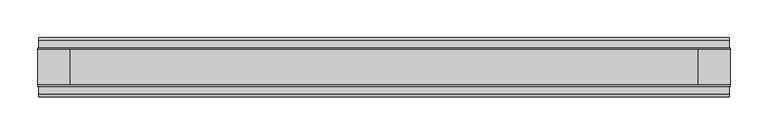
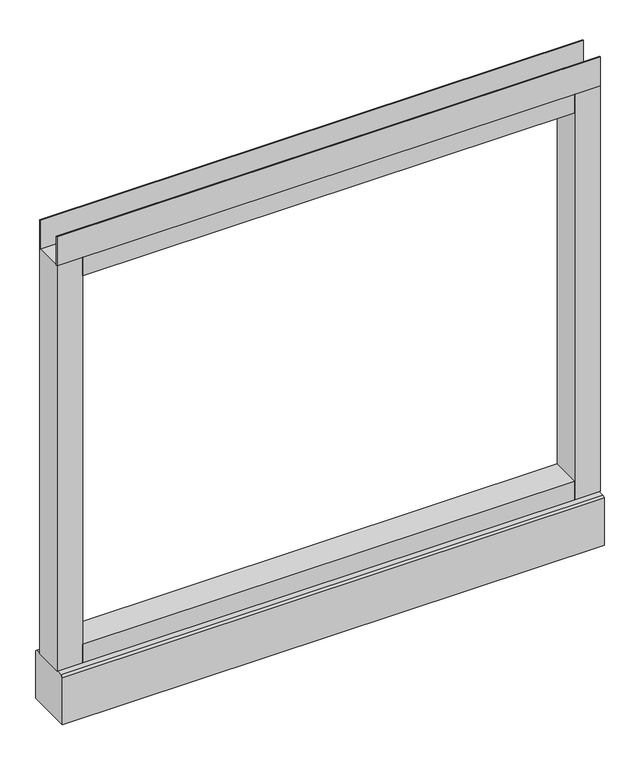
"""IFC4 building model written with IfcOpenShell, lengths in millimetres: furniture geometry."""

from ifc_helpers import new_model, si_unit, point, frame, frame_2d, origin, place, context, project, spatial, polyline, circle_curve, trimmed, segment, composite_curve, outline, extrude, source, transform, mapped, element, save
from ifc_brep_helpers import plane_surface, revolved_surface, advanced_brep


def furniture_cbe864e8(model_context):
    return source(origin(), model_context, "Body", "SolidModel", [
        advanced_brep(
        [(387.35, 0.0, 6.35), (412.75, 0.0, 6.35), (381.0, 0.0, 0.0), (419.1, 0.0, 0.0)],
        [
            (0, 1, circle_curve(frame((400.05, 0.0, 6.35), z_axis=(0.0, 0.0, 1.0), x_axis=(-1.0, 0.0, 0.0)), 12.7)),
            (1, 0, circle_curve(frame((400.05, 0.0, 6.35), z_axis=(0.0, 0.0, 1.0), x_axis=(1.0, 0.0, 0.0)), 12.7)),
            (2, 3, circle_curve(frame((400.05, 0.0, 0.0), z_axis=(0.0, 0.0, -1.0), x_axis=(1.0, 0.0, 0.0)), 19.05)),
            (3, 2, circle_curve(frame((400.05, 0.0, 0.0), z_axis=(0.0, 0.0, -1.0), x_axis=(-1.0, 0.0, 0.0)), 19.05)),
            (3, 1),
            (0, 2),
        ],
        [
            plane_surface(frame((400.05, 0.0, 6.35), z_axis=(0.0, 0.0, 1.0), x_axis=(0.0, -1.0, 0.0))),
            plane_surface(frame((400.05, 0.0, 0.0), z_axis=(0.0, 0.0, -1.0), x_axis=(0.0, -1.0, 0.0))),
            revolved_surface(polyline([(387.35, 0.0, 6.35), (381.0, 0.0, 0.0)]), (400.05, 0.0, 19.05), (0.0, 0.0, -1.0)),
            revolved_surface(polyline([(412.75, 0.0, 6.35), (419.1, 0.0, 0.0)]), (400.05, 0.0, 19.05), (0.0, 0.0, -1.0)),
        ],
        [
            (0, [[1, 2]]),
            (1, [[3, 4]]),
            (2, [[-4, 5, -1, 6]]),
            (3, [[-3, -6, -2, -5]]),
        ],
    ),
        advanced_brep(
        [(-412.75, 0.0, 6.35), (-387.35, 0.0, 6.35), (-419.1, 0.0, 0.0), (-381.0, 0.0, 0.0)],
        [
            (0, 1, circle_curve(frame((-400.05, 0.0, 6.35), z_axis=(0.0, 0.0, 1.0), x_axis=(-1.0, 0.0, 0.0)), 12.7)),
            (1, 0, circle_curve(frame((-400.05, 0.0, 6.35), z_axis=(0.0, 0.0, 1.0), x_axis=(1.0, 0.0, 0.0)), 12.7)),
            (2, 3, circle_curve(frame((-400.05, 0.0, 0.0), z_axis=(0.0, 0.0, -1.0), x_axis=(1.0, 0.0, 0.0)), 19.05)),
            (3, 2, circle_curve(frame((-400.05, 0.0, 0.0), z_axis=(0.0, 0.0, -1.0), x_axis=(-1.0, 0.0, 0.0)), 19.05)),
            (3, 1),
            (0, 2),
        ],
        [
            plane_surface(frame((-400.05, 0.0, 6.35), z_axis=(0.0, 0.0, 1.0), x_axis=(0.0, -1.0, 0.0))),
            plane_surface(frame((-400.05, 0.0, 0.0), z_axis=(0.0, 0.0, -1.0), x_axis=(0.0, -1.0, 0.0))),
            revolved_surface(polyline([(-412.75, 0.0, 6.35), (-419.1, 0.0, 0.0)]), (-400.05, 0.0, 19.05), (0.0, 0.0, -1.0)),
            revolved_surface(polyline([(-387.35, 0.0, 6.35), (-381.0, 0.0, 0.0)]), (-400.05, 0.0, 19.05), (0.0, 0.0, -1.0)),
        ],
        [
            (0, [[1, 2]]),
            (1, [[3, 4]]),
            (2, [[-4, 5, -1, 6]]),
            (3, [[-3, -6, -2, -5]]),
        ],
    ),
        extrude(outline(polyline([(457.2, -23.8125), (457.2, -25.4), (-457.2, -25.4), (-457.2, -23.8125), (457.2, -23.8125)])), frame((0.0, 0.0, 822.833), z_axis=(0.0, 0.0, 1.0), x_axis=(1.0, 0.0, 0.0)), (0.0, 0.0, 1.0), 51.435),
        extrude(outline(polyline([(457.2, 25.4), (457.2, 23.8125), (-457.2, 23.8125), (-457.2, 25.4), (457.2, 25.4)])), frame((0.0, 0.0, 822.833), z_axis=(0.0, 0.0, 1.0), x_axis=(1.0, 0.0, 0.0)), (0.0, 0.0, 1.0), 51.435),
        extrude(outline(polyline([(414.3375, -25.4), (-414.3375, -25.4), (-414.3375, 25.4), (414.3375, 25.4), (414.3375, -25.4)])), frame((0.0, 0.0, 789.94), z_axis=(0.0, 0.0, 1.0), x_axis=(1.0, 0.0, 0.0)), (0.0, 0.0, 1.0), 32.893),
        extrude(outline(polyline([(414.3375, -25.4), (-414.3375, -25.4), (-414.3375, 25.4), (414.3375, 25.4), (414.3375, -25.4)])), frame((0.0, 0.0, 101.6), z_axis=(0.0, 0.0, 1.0), x_axis=(1.0, 0.0, 0.0)), (0.0, 0.0, 1.0), 32.893),
        extrude(outline(composite_curve([segment(trimmed(circle_curve(frame_2d((-400.05, 0.0)), 5.55625), [point((-405.60625, 0.0))], [point((-394.49375, 0.0))], False, "CARTESIAN"), True, "CONTINUOUS"), segment(trimmed(circle_curve(frame_2d((-400.05, 0.0)), 5.55625), [point((-394.49375, 0.0))], [point((-405.60625, 0.0))], False, "CARTESIAN"), True, "CONTINUOUS")], self_intersect=False)), frame((0.0, 0.0, 6.35), z_axis=(0.0, 0.0, 1.0), x_axis=(1.0, 0.0, 0.0)), (0.0, 0.0, 1.0), 7.9375),
        extrude(outline(composite_curve([segment(trimmed(circle_curve(frame_2d((400.05, 0.0)), 5.55625), [point((394.49375, 0.0))], [point((405.60625, 0.0))], False, "CARTESIAN"), True, "CONTINUOUS"), segment(trimmed(circle_curve(frame_2d((400.05, 0.0)), 5.55625), [point((405.60625, 0.0))], [point((394.49375, 0.0))], False, "CARTESIAN"), True, "CONTINUOUS")], self_intersect=False)), frame((0.0, 0.0, 6.35), z_axis=(0.0, 0.0, 1.0), x_axis=(1.0, 0.0, 0.0)), (0.0, 0.0, 1.0), 7.9375),
        extrude(outline(polyline([(-414.3375, -25.4), (-457.2, -25.4), (-457.2, 25.4), (-414.3375, 25.4), (-414.3375, -25.4)])), frame((0.0, 0.0, 101.6), z_axis=(0.0, 0.0, 1.0), x_axis=(1.0, 0.0, 0.0)), (0.0, 0.0, 1.0), 721.233),
        extrude(outline(polyline([(457.2, -25.4), (414.3375, -25.4), (414.3375, 25.4), (457.2, 25.4), (457.2, -25.4)])), frame((0.0, 0.0, 101.6), z_axis=(0.0, 0.0, 1.0), x_axis=(1.0, 0.0, 0.0)), (0.0, 0.0, 1.0), 721.233),
        extrude(outline(polyline([(-35.9171875, 101.6), (35.9171875, 101.6), (39.0921875, 98.425), (39.0921875, 14.2875), (-39.0921875, 14.2875), (-39.0921875, 98.425), (-35.9171875, 101.6)])), frame((-456.057, 0.0, 0.0), z_axis=(1.0, 0.0, 0.0), x_axis=(0.0, 1.0, 0.0)), (0.0, 0.0, 1.0), 912.1140102),
    ])


if __name__ == "__main__":
    model = new_model("IFC4")
    model_context = context("Model", 3, world=origin())
    ifc_project = project(units=[si_unit("LENGTHUNIT", "METRE", prefix="MILLI")], contexts=[model_context])
    site = spatial("IfcSite", under=ifc_project)
    building = spatial("IfcBuilding", under=site)
    placement = place(None, origin())
    furniture_shape = furniture_cbe864e8(model_context)
    element("IfcFurniture", 1, at=placement, inside=building, context=model_context, shape_type="MappedRepresentation", body=[
        mapped(furniture_shape, transform((0.0, 0.0, 0.0), x_axis=(1.0, 0.0, 0.0), y_axis=(0.0, 1.0, 0.0), z_axis=(0.0, 0.0, 1.0))),
    ])
    save(model, "model.ifc")
